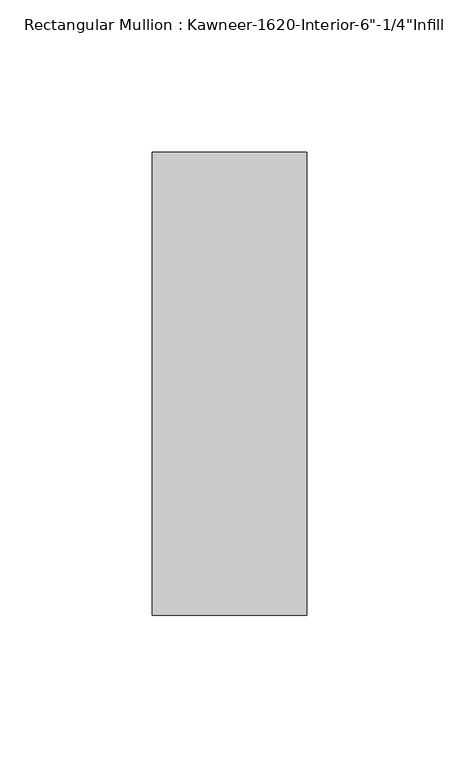
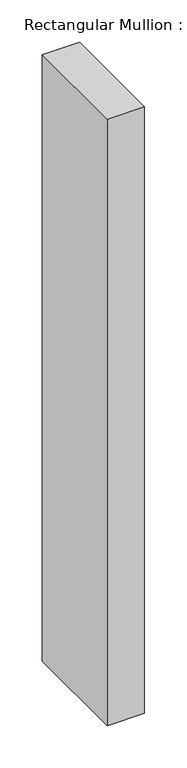
"""IFC4 building model written with IfcOpenShell, lengths in millimetres: member geometry."""

import ifcopenshell
import ifcopenshell.guid

model = None  # the IFC model being written
_history = None  # IfcOwnerHistory: only IFC2X3 demands one
_inside = {}  # id of a spatial element -> (the spatial element, [elements in it])
_under = {}  # id of a project, library or spatial element -> (it, [spatial elements below it])
_declared = {}  # id of a project -> (the project, [libraries it declares])
_typed = {}  # id of a type object -> (the type object, [elements of that type])
_made_of = {}  # id of a material, layer set ... -> (it, [elements and type objects made of it])


def new_model(schema):
    """Start an empty IFC model of exactly this schema.

    Asked for "IFC4X3", IfcOpenShell would pick the latest addendum, in which some entities
    have other attributes; the version numbers below select the first issue.
    IFC2X3 requires an IfcOwnerHistory on every rooted entity: one is made here for all.
    """
    global model, _history
    if schema == "IFC4X3":
        model = ifcopenshell.file(schema_version=(4, 3, 0, 0))
    else:
        model = ifcopenshell.file(schema=schema)
    _inside.clear()
    _under.clear()
    _declared.clear()
    _typed.clear()
    _made_of.clear()
    _history = None
    if model.schema == "IFC2X3":
        org = make("IfcOrganization", Name="unknown")
        user = make(
            "IfcPersonAndOrganization",
            ThePerson=make("IfcPerson", FamilyName="unknown"),
            TheOrganization=org,
        )
        app = make(
            "IfcApplication",
            ApplicationDeveloper=org,
            Version="unknown",
            ApplicationFullName="unknown",
            ApplicationIdentifier="unknown",
        )
        _history = make(
            "IfcOwnerHistory",
            OwningUser=user,
            OwningApplication=app,
            ChangeAction="ADDED",
            CreationDate=0,
        )
    return model


def make(cls, **values):
    """One entity of the class cls with the attributes given. An attribute that is None is left unset."""
    return model.create_entity(
        cls, **{name: value for name, value in values.items() if value is not None}
    )


def rooted(cls, **values):
    """An entity with a GlobalId (a new one), such as an element, a storey or a relation."""
    return make(cls, GlobalId=ifcopenshell.guid.new(), OwnerHistory=_history, **values)


def si_unit(unit_type, name, prefix=None):
    """IfcSIUnit, for example si_unit("LENGTHUNIT", "METRE", prefix="MILLI")."""
    return make("IfcSIUnit", UnitType=unit_type, Prefix=prefix, Name=name)


def assignment(units):
    """IfcUnitAssignment: the units of a project."""
    return None if units is None else make("IfcUnitAssignment", Units=units)


def point(xyz):
    """IfcCartesianPoint."""
    return None if xyz is None else make("IfcCartesianPoint", Coordinates=xyz)


def direction(xyz):
    """IfcDirection."""
    return None if xyz is None else make("IfcDirection", DirectionRatios=xyz)


def frame(location, z_axis=None, x_axis=None):
    """IfcAxis2Placement3D, a coordinate frame: its origin and axes. An axis left out is left unset."""
    return make(
        "IfcAxis2Placement3D",
        Location=point(location),
        Axis=direction(z_axis),
        RefDirection=direction(x_axis),
    )


def origin():
    """The frame at (0, 0, 0) with its axes left unset."""
    return frame((0.0, 0.0, 0.0))


def place(relative_to, where):
    """IfcLocalPlacement: puts the frame where relative to a parent placement (None: the world)."""
    return make(
        "IfcLocalPlacement", PlacementRelTo=relative_to, RelativePlacement=where
    )


def context(
    kind, dimensions, precision=None, world=None, true_north=None, identifier=None
):
    """IfcGeometricRepresentationContext, for example the 3D "Model" context."""
    return make(
        "IfcGeometricRepresentationContext",
        ContextIdentifier=identifier,
        ContextType=kind,
        CoordinateSpaceDimension=dimensions,
        Precision=precision,
        WorldCoordinateSystem=world,
        TrueNorth=true_north,
    )


def project(units=None, contexts=None):
    """IfcProject with its units and contexts."""
    return rooted(
        "IfcProject",
        Name="project",
        RepresentationContexts=contexts,
        UnitsInContext=assignment(units),
    )


def spatial(cls, under=None, at=None, **own):
    """A site, building, storey or space (cls), placed at a placement, below another one or the project."""
    s = rooted(cls, ObjectPlacement=at, **own)
    if under is not None:
        _under.setdefault(under.id(), (under, []))[1].append(s)
    return s


def polyline(points):
    """IfcPolyline through the points."""
    return make("IfcPolyline", Points=[point(p) for p in points])


def outline(outer, holes=None, kind="AREA"):
    """IfcArbitraryClosedProfileDef: a profile drawn as a closed curve; with holes, ...WithVoids."""
    if holes is None:
        return make("IfcArbitraryClosedProfileDef", ProfileType=kind, OuterCurve=outer)
    return make(
        "IfcArbitraryProfileDefWithVoids",
        ProfileType=kind,
        OuterCurve=outer,
        InnerCurves=holes,
    )


def extrude(swept, where, along, depth):
    """IfcExtrudedAreaSolid: the profile swept, set in the frame where, extruded along a direction by depth."""
    return make(
        "IfcExtrudedAreaSolid",
        SweptArea=swept,
        Position=where,
        ExtrudedDirection=direction(along),
        Depth=depth,
    )


def shape(context_of_items, identifier, shape_type, items):
    """IfcShapeRepresentation: the items that make up one representation, for example the "Body"."""
    return make(
        "IfcShapeRepresentation",
        ContextOfItems=context_of_items,
        RepresentationIdentifier=identifier,
        RepresentationType=shape_type,
        Items=items,
    )


def source(mapping_origin, context_of_items, identifier, shape_type, items):
    """IfcRepresentationMap: a shape defined once, which mapped items show again and again."""
    return make(
        "IfcRepresentationMap",
        MappingOrigin=mapping_origin,
        MappedRepresentation=shape(context_of_items, identifier, shape_type, items),
    )


def transform(
    local_origin,
    x_axis=None,
    y_axis=None,
    z_axis=None,
    scale=None,
    scale2=None,
    scale3=None,
    uniform=True,
):
    """IfcCartesianTransformationOperator3D, or its non-uniform kind. x_axis, y_axis, z_axis: its Axis1, 2, 3."""
    if uniform:
        return make(
            "IfcCartesianTransformationOperator3D",
            Axis1=direction(x_axis),
            Axis2=direction(y_axis),
            LocalOrigin=point(local_origin),
            Scale=scale,
            Axis3=direction(z_axis),
        )
    return make(
        "IfcCartesianTransformationOperator3DnonUniform",
        Axis1=direction(x_axis),
        Axis2=direction(y_axis),
        LocalOrigin=point(local_origin),
        Scale=scale,
        Axis3=direction(z_axis),
        Scale2=scale2,
        Scale3=scale3,
    )


def mapped(mapping_source, mapping_target):
    """IfcMappedItem: shows the shape of a source again, moved by a transform."""
    return make(
        "IfcMappedItem", MappingSource=mapping_source, MappingTarget=mapping_target
    )


def made_of(thing, what):
    """Note that an element or type object is made of a material, layer set ...; save() writes the relation."""
    if what is not None:
        _made_of.setdefault(what.id(), (what, []))[1].append(thing)
    return thing


def element(
    cls,
    number,
    at=None,
    inside=None,
    cuts=None,
    type_object=None,
    material=None,
    context=None,
    identifier="Body",
    shape_type=None,
    held_by="IfcProductDefinitionShape",
    body=None,
    shapes=None,
    **own,
):
    """One element of the class cls, such as IfcWall. Its Tag is "e" and its number.

    at: its placement. inside: the storey or other place that contains it. cuts: it is an
    opening in that element (IfcRelVoidsElement). A single representation is given by context,
    identifier, shape_type and body (its items); several are given by shapes. held_by: the class
    of the entity that holds the representations. save() writes the other relations.
    """
    e = rooted(cls, Tag="e%d" % number, ObjectPlacement=at, **own)
    if body is not None:
        shapes = [shape(context, identifier, shape_type, body)]
    if shapes is not None:
        e.Representation = make(held_by, Representations=shapes)
    if inside is not None:
        _inside.setdefault(inside.id(), (inside, []))[1].append(e)
    if cuts is not None:
        rooted(
            "IfcRelVoidsElement", RelatingBuildingElement=cuts, RelatedOpeningElement=e
        )
    if type_object is not None:
        _typed.setdefault(type_object.id(), (type_object, []))[1].append(e)
    return made_of(e, material)


def aggregate(whole, parts):
    """IfcRelAggregates: a whole, such as a stair, and the parts it consists of."""
    return rooted("IfcRelAggregates", RelatingObject=whole, RelatedObjects=parts)


def save(model, path):
    """Write the relations noted so far, then the file.

    IfcRelAggregates (storeys below a building ...), IfcRelContainedInSpatialStructure (elements
    in a storey), IfcRelDefinesByType, IfcRelAssociatesMaterial and IfcRelDeclares: one each for
    every whole, place, type object, material and project.
    """
    for whole, parts in _under.values():
        aggregate(whole, parts)
    for where, things in _inside.values():
        rooted(
            "IfcRelContainedInSpatialStructure",
            RelatedElements=things,
            RelatingStructure=where,
        )
    for kind, things in _typed.values():
        rooted("IfcRelDefinesByType", RelatedObjects=things, RelatingType=kind)
    for what, things in _made_of.values():
        rooted("IfcRelAssociatesMaterial", RelatedObjects=things, RelatingMaterial=what)
    for by, libraries in _declared.values():
        rooted("IfcRelDeclares", RelatingContext=by, RelatedDefinitions=libraries)
    model.write(path)


def member_53ff1c69(model_context):
    return source(origin(), model_context, "Body", "SweptSolid", [
        extrude(outline(polyline([(25.4, -123.825), (-25.4, -123.825), (-25.4, 28.575), (25.4, 28.575), (25.4, -123.825)])), frame((0.0, 0.0, -872.4238809), z_axis=(0.0, 0.0, 1.0), x_axis=(1.0, 0.0, 0.0)), (0.0, 0.0, 1.0), 872.4238809),
    ])


if __name__ == "__main__":
    model = new_model("IFC4")
    model_context = context("Model", 3, world=origin())
    ifc_project = project(units=[si_unit("LENGTHUNIT", "METRE", prefix="MILLI")], contexts=[model_context])
    site = spatial("IfcSite", under=ifc_project)
    building = spatial("IfcBuilding", under=site)
    placement = place(None, origin())
    member_shape = member_53ff1c69(model_context)
    element("IfcMember", 1, ObjectType="Rectangular Mullion : Kawneer-1620-Interior-6\"-1/4\"Infill", at=placement, inside=building, context=model_context, shape_type="MappedRepresentation", body=[
        mapped(member_shape, transform((0.0, 0.0, 0.0), x_axis=(1.0, 0.0, 0.0), y_axis=(0.0, 1.0, 0.0), z_axis=(0.0, 0.0, 1.0))),
    ])
    save(model, "model.ifc")
